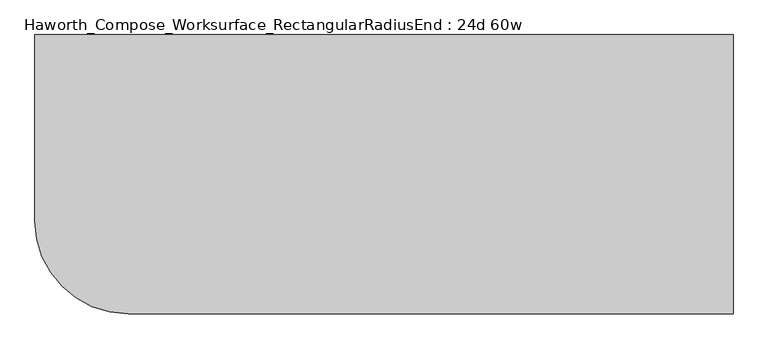
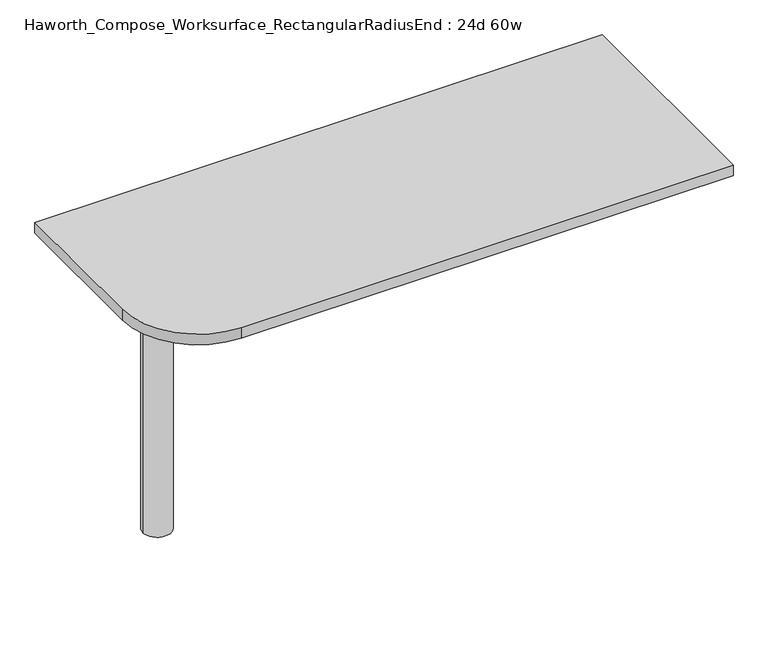
"""IFC4 building model written with IfcOpenShell, lengths in millimetres: furniture geometry, Haworth_Compose_Worksurface_RectangularRadiusEnd : 24d 60w."""

from ifc_helpers import new_model, si_unit, point, frame, frame_2d, origin, place, context, project, spatial, polyline, circle_curve, trimmed, segment, composite_curve, outline, extrude, source, transform, mapped, element, save
from ifc_brep_helpers import plane_surface, cylinder_surface, revolved_surface, advanced_brep


def haworth_compose_worksurface_rectangularradiusend_24d_60w_4605c722(model_context):
    return source(origin(), model_context, "Body", "SolidModel", [
        advanced_brep(
        [(756.44375, 304.8, 475.45625), (756.44375, 288.925, 475.45625), (756.44375, -101.6, 691.7192568), (756.44375, -101.6, 704.05625), (756.44375, 288.925, 704.05625), (756.44375, 304.8, 704.05625), (756.44375, 221.490072, 665.95625), (756.44375, 177.8355284, 665.95625), (756.44375, 175.1564235, 656.3705539), (756.44375, 266.8776173, 605.5776439), (756.44375, 276.225, 611.1756969), (756.44375, 276.225, 634.6860246), (756.44375, 274.4730055, 637.5242776), (756.44375, 224.5663437, 665.1613425), (758.825, 304.8, 475.45625), (758.825, 304.8, 704.05625), (758.825, 288.925, 704.05625), (758.825, 288.925, 706.4375), (758.825, -101.6, 706.4375), (758.825, -101.6, 691.7192568), (758.825, 288.925, 475.45625), (758.825, 221.490072, 665.95625), (758.825, 224.5663437, 665.1613425), (758.825, 274.4730055, 637.5242776), (758.825, 276.225, 634.6860246), (758.825, 276.225, 611.1756969), (758.825, 266.8776173, 605.5776439), (758.825, 175.1564235, 656.3705539), (758.825, 177.8355284, 665.95625), (717.55, -101.6, 706.4375), (717.55, -101.6, 704.05625), (717.55, 288.925, 704.05625), (717.55, 288.925, 706.4375)],
        [
            (0, 1),
            (1, 2),
            (2, 3),
            (3, 4),
            (4, 5),
            (5, 0),
            (6, 7),
            (7, 8, circle_curve(frame((756.44375, 177.8355284, 660.7890106), z_axis=(1.0, 0.0, 0.0), x_axis=(0.0, -1.0, 0.0)), 5.1672394)),
            (8, 9),
            (9, 10, circle_curve(frame((756.44375, 269.875, 611.1756969), z_axis=(1.0, 0.0, 0.0), x_axis=(0.0, -1.0, 0.0)), 6.35)),
            (10, 11),
            (11, 12, circle_curve(frame((756.44375, 273.05, 634.6860246), z_axis=(1.0, 0.0, 0.0), x_axis=(0.0, -1.0, 0.0)), 3.175)),
            (12, 13),
            (13, 6, circle_curve(frame((756.44375, 221.490072, 659.60625), z_axis=(1.0, 0.0, 0.0), x_axis=(0.0, -1.0, 0.0)), 6.35)),
            (14, 15),
            (15, 16),
            (16, 17),
            (17, 18),
            (18, 19),
            (19, 20),
            (20, 14),
            (21, 22, circle_curve(frame((758.825, 221.490072, 659.60625), z_axis=(-1.0, 0.0, 0.0), x_axis=(0.0, -1.0, 0.0)), 6.35)),
            (22, 23),
            (23, 24, circle_curve(frame((758.825, 273.05, 634.6860246), z_axis=(-1.0, 0.0, 0.0), x_axis=(0.0, -1.0, 0.0)), 3.175)),
            (24, 25),
            (25, 26, circle_curve(frame((758.825, 269.875, 611.1756969), z_axis=(-1.0, 0.0, 0.0), x_axis=(0.0, -1.0, 0.0)), 6.35)),
            (26, 27),
            (27, 28, circle_curve(frame((758.825, 177.8355284, 660.7890106), z_axis=(-1.0, 0.0, 0.0), x_axis=(0.0, -1.0, 0.0)), 5.1672394)),
            (28, 21),
            (4, 16),
            (15, 5),
            (14, 0),
            (20, 1),
            (19, 2),
            (18, 29),
            (29, 30),
            (30, 3),
            (6, 21),
            (28, 7),
            (9, 26),
            (25, 10),
            (24, 11),
            (23, 12),
            (27, 8),
            (31, 4),
            (30, 31),
            (32, 29),
            (17, 32),
            (31, 32),
            (22, 13),
        ],
        [
            plane_surface(frame((756.44375, 304.8, 475.45625), z_axis=(-1.0, 0.0, 0.0), x_axis=(0.0, 1.0, 0.0))),
            plane_surface(frame((758.825, 304.8, 475.45625), z_axis=(1.0, 0.0, 0.0), x_axis=(0.0, -1.0, 0.0))),
            plane_surface(frame((758.825, -101.6, 704.05625), z_axis=(0.0, 0.0, 1.0), x_axis=(-1.0, 0.0, 0.0))),
            plane_surface(frame((758.825, 304.8, 704.05625), z_axis=(0.0, 1.0, 0.0), x_axis=(-1.0, 0.0, 0.0))),
            plane_surface(frame((758.825, 304.8, 475.45625), z_axis=(0.0, 0.0, -1.0), x_axis=(-1.0, 0.0, 0.0))),
            plane_surface(frame((758.825, 288.925, 475.45625), z_axis=(0.0, -0.48445223513455843, -0.8748177135112952), x_axis=(-1.0, 0.0, 0.0))),
            plane_surface(frame((758.825, -101.6, 691.7192568), z_axis=(0.0, -1.0, 0.0), x_axis=(-1.0, 0.0, 0.0))),
            plane_surface(frame((758.825, 221.490072, 665.95625), z_axis=(0.0, 0.0, -1.0), x_axis=(-1.0, 0.0, 0.0))),
            revolved_surface(polyline([(756.44375, 263.525, 611.1756969), (758.825, 263.525, 611.1756969)]), (758.825, 269.875, 611.1756969), (-1.0, 0.0, 0.0)),
            plane_surface(frame((758.825, 276.225, 611.1756969), z_axis=(0.0, -1.0, 0.0), x_axis=(-1.0, 0.0, 0.0))),
            revolved_surface(polyline([(756.44375, 269.875, 634.6860246), (758.825, 269.875, 634.6860246)]), (758.825, 273.05, 634.6860246), (-1.0, 0.0, 0.0)),
            revolved_surface(polyline([(756.44375, 172.668289, 660.7890106), (758.825, 172.668289, 660.7890106)]), (758.825, 177.8355284, 660.7890106), (-1.0, 0.0, 0.0)),
            plane_surface(frame((758.825, 288.925, 704.05625), z_axis=(0.0, 0.0, -1.0), x_axis=(-1.0, 0.0, 0.0))),
            plane_surface(frame((758.825, 288.925, 706.4375), z_axis=(0.0, 0.0, 1.0), x_axis=(1.0, 0.0, 0.0))),
            plane_surface(frame((717.55, 288.925, 706.4375), z_axis=(0.0, 1.0, 0.0), x_axis=(0.0, 0.0, -1.0))),
            plane_surface(frame((717.55, -101.6, 706.4375), z_axis=(-1.0, 0.0, 0.0), x_axis=(0.0, 0.0, -1.0))),
            plane_surface(frame((758.825, 175.1564235, 656.3705539), z_axis=(0.0, 0.4844522351345583, 0.8748177135112953), x_axis=(-1.0, 0.0, 0.0))),
            plane_surface(frame((758.825, 274.4730055, 637.5242776), z_axis=(0.0, -0.4844522351345582, -0.8748177135112953), x_axis=(-1.0, 0.0, 0.0))),
            revolved_surface(polyline([(756.44375, 215.140072, 659.60625), (758.825, 215.140072, 659.60625)]), (758.825, 221.490072, 659.60625), (-1.0, 0.0, 0.0)),
        ],
        [
            (0, [[1, 2, 3, 4, 5, 6], [7, 8, 9, 10, 11, 12, 13, 14]]),
            (1, [[15, 16, 17, 18, 19, 20, 21], [22, 23, 24, 25, 26, 27, 28, 29]]),
            (2, [[-5, 30, -16, 31]]),
            (3, [[-31, -15, 32, -6]]),
            (4, [[-32, -21, 33, -1]]),
            (5, [[-33, -20, 34, -2]]),
            (6, [[-34, -19, 35, 36, 37, -3]]),
            (7, [[38, -29, 39, -7]]),
            (8, [[40, -26, 41, -10]]),
            (9, [[-41, -25, 42, -11]]),
            (10, [[-42, -24, 43, -12]]),
            (11, [[-39, -28, 44, -8]]),
            (12, [[45, -4, -37, 46]]),
            (13, [[47, -35, -18, 48]]),
            (14, [[-17, -30, -45, 49, -48]]),
            (15, [[-36, -47, -49, -46]]),
            (16, [[-44, -27, -40, -9]]),
            (17, [[-43, -23, 50, -13]]),
            (18, [[-50, -22, -38, -14]]),
        ],
    ),
        advanced_brep(
        [(-571.5, 0.0, 706.4375), (-647.7, 0.0, 706.4375), (-609.6, 0.0, 706.4375), (-571.5, 0.0, 0.0), (-647.7, 0.0, 0.0), (-609.6, 0.0, 0.0)],
        [
            (0, 1, circle_curve(frame((-609.6, 0.0, 706.4375), z_axis=(0.0, 0.0, 1.0), x_axis=(-1.0, 0.0, 0.0)), 38.1)),
            (1, 2),
            (2, 0),
            (1, 0, circle_curve(frame((-609.6, 0.0, 706.4375), z_axis=(0.0, 0.0, 1.0), x_axis=(-1.0, 0.0, 0.0)), 38.1)),
            (3, 4, circle_curve(frame((-609.6, 0.0, 0.0), z_axis=(0.0, 0.0, 1.0), x_axis=(-1.0, 0.0, 0.0)), 38.1)),
            (4, 1),
            (0, 3),
            (4, 3, circle_curve(frame((-609.6, 0.0, 0.0), z_axis=(0.0, 0.0, 1.0), x_axis=(-1.0, 0.0, 0.0)), 38.1)),
            (5, 4),
            (3, 5),
        ],
        [
            plane_surface(frame((-609.6, 0.0, 706.4375), z_axis=(0.0, 0.0, 1.0), x_axis=(-1.0, 0.0, 0.0))),
            cylinder_surface(frame((-609.6, 0.0, 889.623257), z_axis=(0.0, 0.0, -1.0), x_axis=(-1.0, 0.0, 0.0)), 38.1),
            plane_surface(frame((-609.6, 0.0, 0.0), z_axis=(0.0, 0.0, -1.0), x_axis=(-1.0, 0.0, 0.0))),
        ],
        [
            (0, [[1, 2, 3]]),
            (0, [[4, -3, -2]]),
            (1, [[5, 6, -1, 7]]),
            (1, [[8, -7, -4, -6]]),
            (2, [[9, -5, 10]]),
            (2, [[-10, -8, -9]]),
        ],
    ),
        extrude(outline(composite_curve([segment(polyline([(762.0, 304.8), (762.0, -304.8), (-558.8, -304.8)]), True, "CONTINUOUS"), segment(trimmed(circle_curve(frame_2d((-558.8, -101.6)), 203.2), [point((-558.8, -304.8))], [point((-762.0, -101.6))], False, "CARTESIAN"), True, "CONTINUOUS"), segment(polyline([(-762.0, -101.6), (-762.0, 304.8), (762.0, 304.8)]), True, "CONTINUOUS")], self_intersect=False)), frame((0.0, 0.0, 706.4375), z_axis=(0.0, 0.0, 1.0), x_axis=(1.0, 0.0, 0.0)), (0.0, 0.0, 1.0), 30.1625),
    ])


if __name__ == "__main__":
    model = new_model("IFC4")
    model_context = context("Model", 3, world=origin())
    ifc_project = project(units=[si_unit("LENGTHUNIT", "METRE", prefix="MILLI")], contexts=[model_context])
    site = spatial("IfcSite", under=ifc_project)
    building = spatial("IfcBuilding", under=site)
    placement = place(None, origin())
    haworth_compose_worksurface_rectangularradiusend_24d_60w_shape = haworth_compose_worksurface_rectangularradiusend_24d_60w_4605c722(model_context)
    element("IfcFurniture", 1, ObjectType="Haworth_Compose_Worksurface_RectangularRadiusEnd : 24d 60w", at=placement, inside=building, context=model_context, shape_type="MappedRepresentation", body=[
        mapped(haworth_compose_worksurface_rectangularradiusend_24d_60w_shape, transform((0.0, 0.0, 0.0), x_axis=(1.0, 0.0, 0.0), y_axis=(0.0, 1.0, 0.0), z_axis=(0.0, 0.0, 1.0))),
    ])
    save(model, "model.ifc")
